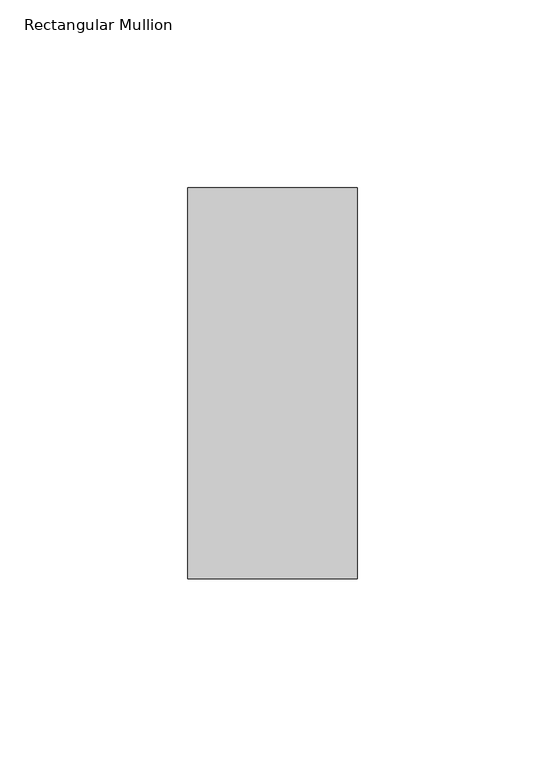
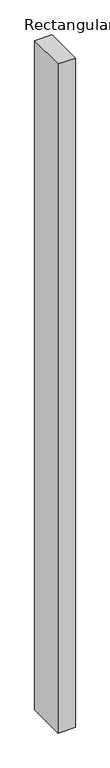
"""IFC4 building model written with IfcOpenShell, lengths in millimetres: member geometry, Rectangular Mullion."""

from ifc_helpers import new_model, si_unit, frame, origin, place, context, project, spatial, polyline, outline, extrude, source, transform, mapped, element, save


def rectangular_mullion_b6cd5873(model_context):
    return source(origin(), model_context, "Body", "SweptSolid", [
        extrude(outline(polyline([(-45.0, 67.525), (0.0, 67.525), (0.0, -36.525), (-45.0, -36.525), (-45.0, 67.525)])), frame((0.0, 0.0, -1828.8), z_axis=(0.0, 0.0, 1.0), x_axis=(1.0, 0.0, 0.0)), (0.0, 0.0, 1.0), 1828.8),
    ])


if __name__ == "__main__":
    model = new_model("IFC4")
    model_context = context("Model", 3, world=origin())
    ifc_project = project(units=[si_unit("LENGTHUNIT", "METRE", prefix="MILLI")], contexts=[model_context])
    site = spatial("IfcSite", under=ifc_project)
    building = spatial("IfcBuilding", under=site)
    placement = place(None, origin())
    rectangular_mullion_shape = rectangular_mullion_b6cd5873(model_context)
    element("IfcMember", 1, ObjectType="Rectangular Mullion", at=placement, inside=building, context=model_context, shape_type="MappedRepresentation", body=[
        mapped(rectangular_mullion_shape, transform((0.0, 0.0, 0.0), x_axis=(1.0, 0.0, 0.0), y_axis=(0.0, 1.0, 0.0), z_axis=(0.0, 0.0, 1.0))),
    ])
    save(model, "model.ifc")
